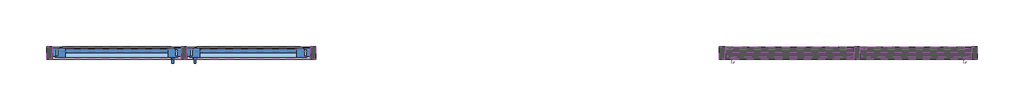
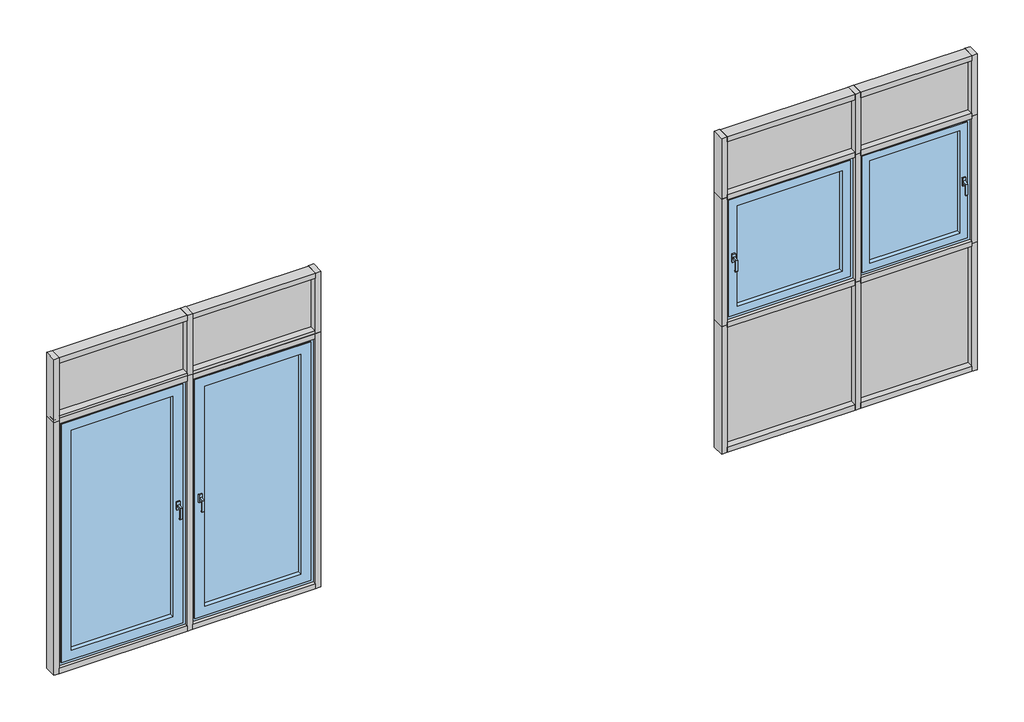
# One storey: 31 members, 8 windows, 6 plates.
"""IFC4 building model written with IfcOpenShell, lengths in millimetres."""

import ifcopenshell
import ifcopenshell.guid

model = None  # the IFC model being written
_history = None  # IfcOwnerHistory: only IFC2X3 demands one
_inside = {}  # id of a spatial element -> (the spatial element, [elements in it])
_under = {}  # id of a project, library or spatial element -> (it, [spatial elements below it])
_declared = {}  # id of a project -> (the project, [libraries it declares])
_typed = {}  # id of a type object -> (the type object, [elements of that type])
_made_of = {}  # id of a material, layer set ... -> (it, [elements and type objects made of it])


def new_model(schema):
    """Start an empty IFC model of exactly this schema.

    Asked for "IFC4X3", IfcOpenShell would pick the latest addendum, in which some entities
    have other attributes; the version numbers below select the first issue.
    IFC2X3 requires an IfcOwnerHistory on every rooted entity: one is made here for all.
    """
    global model, _history
    if schema == "IFC4X3":
        model = ifcopenshell.file(schema_version=(4, 3, 0, 0))
    else:
        model = ifcopenshell.file(schema=schema)
    _inside.clear()
    _under.clear()
    _declared.clear()
    _typed.clear()
    _made_of.clear()
    _history = None
    if model.schema == "IFC2X3":
        org = make("IfcOrganization", Name="unknown")
        user = make(
            "IfcPersonAndOrganization",
            ThePerson=make("IfcPerson", FamilyName="unknown"),
            TheOrganization=org,
        )
        app = make(
            "IfcApplication",
            ApplicationDeveloper=org,
            Version="unknown",
            ApplicationFullName="unknown",
            ApplicationIdentifier="unknown",
        )
        _history = make(
            "IfcOwnerHistory",
            OwningUser=user,
            OwningApplication=app,
            ChangeAction="ADDED",
            CreationDate=0,
        )
    return model


def make(cls, **values):
    """One entity of the class cls with the attributes given. An attribute that is None is left unset."""
    return model.create_entity(
        cls, **{name: value for name, value in values.items() if value is not None}
    )


def rooted(cls, **values):
    """An entity with a GlobalId (a new one), such as an element, a storey or a relation."""
    return make(cls, GlobalId=ifcopenshell.guid.new(), OwnerHistory=_history, **values)


def si_unit(unit_type, name, prefix=None):
    """IfcSIUnit, for example si_unit("LENGTHUNIT", "METRE", prefix="MILLI")."""
    return make("IfcSIUnit", UnitType=unit_type, Prefix=prefix, Name=name)


def assignment(units):
    """IfcUnitAssignment: the units of a project."""
    return None if units is None else make("IfcUnitAssignment", Units=units)


def point(xyz):
    """IfcCartesianPoint."""
    return None if xyz is None else make("IfcCartesianPoint", Coordinates=xyz)


def direction(xyz):
    """IfcDirection."""
    return None if xyz is None else make("IfcDirection", DirectionRatios=xyz)


def frame(location, z_axis=None, x_axis=None):
    """IfcAxis2Placement3D, a coordinate frame: its origin and axes. An axis left out is left unset."""
    return make(
        "IfcAxis2Placement3D",
        Location=point(location),
        Axis=direction(z_axis),
        RefDirection=direction(x_axis),
    )


def origin():
    """The frame at (0, 0, 0) with its axes left unset."""
    return frame((0.0, 0.0, 0.0))


def origin_with_axes():
    """The frame at (0, 0, 0) with the z axis (0, 0, 1) and the x axis (1, 0, 0) written out."""
    return frame((0.0, 0.0, 0.0), z_axis=(0.0, 0.0, 1.0), x_axis=(1.0, 0.0, 0.0))


def place(relative_to, where):
    """IfcLocalPlacement: puts the frame where relative to a parent placement (None: the world)."""
    return make(
        "IfcLocalPlacement", PlacementRelTo=relative_to, RelativePlacement=where
    )


def context(
    kind, dimensions, precision=None, world=None, true_north=None, identifier=None
):
    """IfcGeometricRepresentationContext, for example the 3D "Model" context."""
    return make(
        "IfcGeometricRepresentationContext",
        ContextIdentifier=identifier,
        ContextType=kind,
        CoordinateSpaceDimension=dimensions,
        Precision=precision,
        WorldCoordinateSystem=world,
        TrueNorth=true_north,
    )


def project(units=None, contexts=None):
    """IfcProject with its units and contexts."""
    return rooted(
        "IfcProject",
        Name="project",
        RepresentationContexts=contexts,
        UnitsInContext=assignment(units),
    )


def spatial(cls, under=None, at=None, **own):
    """A site, building, storey or space (cls), placed at a placement, below another one or the project."""
    s = rooted(cls, ObjectPlacement=at, **own)
    if under is not None:
        _under.setdefault(under.id(), (under, []))[1].append(s)
    return s


def polyline(points):
    """IfcPolyline through the points."""
    return make("IfcPolyline", Points=[point(p) for p in points])


def outline(outer, holes=None, kind="AREA"):
    """IfcArbitraryClosedProfileDef: a profile drawn as a closed curve; with holes, ...WithVoids."""
    if holes is None:
        return make("IfcArbitraryClosedProfileDef", ProfileType=kind, OuterCurve=outer)
    return make(
        "IfcArbitraryProfileDefWithVoids",
        ProfileType=kind,
        OuterCurve=outer,
        InnerCurves=holes,
    )


def extrude(swept, where, along, depth):
    """IfcExtrudedAreaSolid: the profile swept, set in the frame where, extruded along a direction by depth."""
    return make(
        "IfcExtrudedAreaSolid",
        SweptArea=swept,
        Position=where,
        ExtrudedDirection=direction(along),
        Depth=depth,
    )


def faces_of(points, faces, orient=None, outer=None):
    """IfcFace entities. A face is a list of loops; a loop is a list of indices into points, from 0.

    orient and outer hold one flag for each loop. By default every Orientation is true, the
    first loop of a face is its IfcFaceOuterBound and the others are IfcFaceBound.
    """
    made = []
    for i, loops in enumerate(faces):
        bounds = []
        for j, loop in enumerate(loops):
            is_outer = j == 0 if outer is None else outer[i][j]
            bounds.append(
                make(
                    "IfcFaceOuterBound" if is_outer else "IfcFaceBound",
                    Bound=make("IfcPolyLoop", Polygon=[points[k] for k in loop]),
                    Orientation=True if orient is None else orient[i][j],
                )
            )
        made.append(make("IfcFace", Bounds=bounds))
    return made


def faceted_brep(points, faces, orient=None, outer=None, voids=None):
    """IfcFacetedBrep: a solid bounded by flat faces; with voids (closed shells), ...WithVoids."""
    shared = [point(p) for p in points]
    hull = make("IfcClosedShell", CfsFaces=faces_of(shared, faces, orient, outer))
    if voids is None:
        return make("IfcFacetedBrep", Outer=hull)
    return make(
        "IfcFacetedBrepWithVoids",
        Outer=hull,
        Voids=[
            make(cls, CfsFaces=faces_of(shared, fs, o, b)) for cls, fs, o, b in voids
        ],
    )


def shape(context_of_items, identifier, shape_type, items):
    """IfcShapeRepresentation: the items that make up one representation, for example the "Body"."""
    return make(
        "IfcShapeRepresentation",
        ContextOfItems=context_of_items,
        RepresentationIdentifier=identifier,
        RepresentationType=shape_type,
        Items=items,
    )


def source(mapping_origin, context_of_items, identifier, shape_type, items):
    """IfcRepresentationMap: a shape defined once, which mapped items show again and again."""
    return make(
        "IfcRepresentationMap",
        MappingOrigin=mapping_origin,
        MappedRepresentation=shape(context_of_items, identifier, shape_type, items),
    )


def transform(
    local_origin,
    x_axis=None,
    y_axis=None,
    z_axis=None,
    scale=None,
    scale2=None,
    scale3=None,
    uniform=True,
):
    """IfcCartesianTransformationOperator3D, or its non-uniform kind. x_axis, y_axis, z_axis: its Axis1, 2, 3."""
    if uniform:
        return make(
            "IfcCartesianTransformationOperator3D",
            Axis1=direction(x_axis),
            Axis2=direction(y_axis),
            LocalOrigin=point(local_origin),
            Scale=scale,
            Axis3=direction(z_axis),
        )
    return make(
        "IfcCartesianTransformationOperator3DnonUniform",
        Axis1=direction(x_axis),
        Axis2=direction(y_axis),
        LocalOrigin=point(local_origin),
        Scale=scale,
        Axis3=direction(z_axis),
        Scale2=scale2,
        Scale3=scale3,
    )


def mapped(mapping_source, mapping_target):
    """IfcMappedItem: shows the shape of a source again, moved by a transform."""
    return make(
        "IfcMappedItem", MappingSource=mapping_source, MappingTarget=mapping_target
    )


def made_of(thing, what):
    """Note that an element or type object is made of a material, layer set ...; save() writes the relation."""
    if what is not None:
        _made_of.setdefault(what.id(), (what, []))[1].append(thing)
    return thing


def element(
    cls,
    number,
    at=None,
    inside=None,
    cuts=None,
    type_object=None,
    material=None,
    context=None,
    identifier="Body",
    shape_type=None,
    held_by="IfcProductDefinitionShape",
    body=None,
    shapes=None,
    **own,
):
    """One element of the class cls, such as IfcWall. Its Tag is "e" and its number.

    at: its placement. inside: the storey or other place that contains it. cuts: it is an
    opening in that element (IfcRelVoidsElement). A single representation is given by context,
    identifier, shape_type and body (its items); several are given by shapes. held_by: the class
    of the entity that holds the representations. save() writes the other relations.
    """
    e = rooted(cls, Tag="e%d" % number, ObjectPlacement=at, **own)
    if body is not None:
        shapes = [shape(context, identifier, shape_type, body)]
    if shapes is not None:
        e.Representation = make(held_by, Representations=shapes)
    if inside is not None:
        _inside.setdefault(inside.id(), (inside, []))[1].append(e)
    if cuts is not None:
        rooted(
            "IfcRelVoidsElement", RelatingBuildingElement=cuts, RelatedOpeningElement=e
        )
    if type_object is not None:
        _typed.setdefault(type_object.id(), (type_object, []))[1].append(e)
    return made_of(e, material)


def aggregate(whole, parts):
    """IfcRelAggregates: a whole, such as a stair, and the parts it consists of."""
    return rooted("IfcRelAggregates", RelatingObject=whole, RelatedObjects=parts)


def save(model, path):
    """Write the relations noted so far, then the file.

    IfcRelAggregates (storeys below a building ...), IfcRelContainedInSpatialStructure (elements
    in a storey), IfcRelDefinesByType, IfcRelAssociatesMaterial and IfcRelDeclares: one each for
    every whole, place, type object, material and project.
    """
    for whole, parts in _under.values():
        aggregate(whole, parts)
    for where, things in _inside.values():
        rooted(
            "IfcRelContainedInSpatialStructure",
            RelatedElements=things,
            RelatingStructure=where,
        )
    for kind, things in _typed.values():
        rooted("IfcRelDefinesByType", RelatedObjects=things, RelatingType=kind)
    for what, things in _made_of.values():
        rooted("IfcRelAssociatesMaterial", RelatedObjects=things, RelatingMaterial=what)
    for by, libraries in _declared.values():
        rooted("IfcRelDeclares", RelatingContext=by, RelatedDefinitions=libraries)
    model.write(path)


def member_ad3ca7c8(model_context):
    return source(origin(), model_context, "Body", "SweptSolid", [
        extrude(outline(polyline([(0.0, -18.0), (-50.0, -18.0), (-50.0, 91.0), (0.0, 91.0), (0.0, -18.0)])), frame((0.0, 0.0, -1150.0000003), z_axis=(0.0, 0.0, 1.0), x_axis=(1.0, 0.0, 0.0)), (0.0, 0.0, 1.0), 1150.0000003),
    ])


def member_bdd6e94e(model_context):
    return source(origin(), model_context, "Body", "SweptSolid", [
        extrude(outline(polyline([(-50.0, -18.0), (-50.0, 91.0), (0.0, 91.0), (0.0, -18.0), (-50.0, -18.0)])), frame((0.0, 0.0, -1150.0000003), z_axis=(0.0, 0.0, 1.0), x_axis=(1.0, 0.0, 0.0)), (0.0, 0.0, 1.0), 1150.0000003),
    ])


def member_5a7c0c36(model_context):
    return source(origin(), model_context, "Body", "SweptSolid", [
        extrude(outline(polyline([(-25.0, -18.0), (-25.0, 91.0), (25.0, 91.0), (25.0, -18.0), (-25.0, -18.0)])), frame((0.0, 0.0, -1150.0000003), z_axis=(0.0, 0.0, 1.0), x_axis=(1.0, 0.0, 0.0)), (0.0, 0.0, 1.0), 1150.0000003),
    ])


def member_1de1992b(model_context):
    return source(origin(), model_context, "Body", "SweptSolid", [
        extrude(outline(polyline([(-25.0, -22.0), (-25.0, 91.0), (25.0, 91.0), (25.0, -22.0), (-25.0, -22.0)])), frame((0.0, 0.0, -1212.5), z_axis=(0.0, 0.0, 1.0), x_axis=(1.0, 0.0, 0.0)), (0.0, 0.0, 1.0), 1212.5),
    ])


def member_0e9ae714(model_context):
    return source(origin(), model_context, "Body", "SweptSolid", [
        extrude(outline(polyline([(-50.0, -22.0), (-50.0, 91.0), (0.0, 91.0), (0.0, -22.0), (-50.0, -22.0)])), frame((0.0, 0.0, -1212.5), z_axis=(0.0, 0.0, 1.0), x_axis=(1.0, 0.0, 0.0)), (0.0, 0.0, 1.0), 1212.5),
    ])


def member_0b18d834(model_context):
    return source(origin(), model_context, "Body", "SweptSolid", [
        extrude(outline(polyline([(0.0, -22.0), (-50.0, -22.0), (-50.0, 91.0), (0.0, 91.0), (0.0, -22.0)])), frame((0.0, 0.0, -1212.5), z_axis=(0.0, 0.0, 1.0), x_axis=(1.0, 0.0, 0.0)), (0.0, 0.0, 1.0), 1212.5),
    ])


def member_2b77a535(model_context):
    return source(origin(), model_context, "Body", "SweptSolid", [
        extrude(outline(polyline([(0.0, -22.0), (-50.0, -22.0), (-50.0, 91.0), (0.0, 91.0), (0.0, -22.0)])), frame((0.0, 0.0, -2425.0), z_axis=(0.0, 0.0, 1.0), x_axis=(1.0, 0.0, 0.0)), (0.0, 0.0, 1.0), 2425.0),
    ])


def member_0060177d(model_context):
    return source(origin(), model_context, "Body", "SweptSolid", [
        extrude(outline(polyline([(-25.0, -22.0), (-25.0, 91.0), (25.0, 91.0), (25.0, -22.0), (-25.0, -22.0)])), frame((0.0, 0.0, -2425.0), z_axis=(0.0, 0.0, 1.0), x_axis=(1.0, 0.0, 0.0)), (0.0, 0.0, 1.0), 2425.0),
    ])


def member_6f0b51ec(model_context):
    return source(origin(), model_context, "Body", "SweptSolid", [
        extrude(outline(polyline([(-25.0, -22.0), (-25.0, 91.0), (25.0, 91.0), (25.0, -22.0), (-25.0, -22.0)])), frame((0.0, 0.0, -600.0), z_axis=(0.0, 0.0, 1.0), x_axis=(1.0, 0.0, 0.0)), (0.0, 0.0, 1.0), 600.0),
    ])


def member_53a48b24(model_context):
    return source(origin(), model_context, "Body", "SweptSolid", [
        extrude(outline(polyline([(-50.0, -22.0), (-50.0, 91.0), (0.0, 91.0), (0.0, -22.0), (-50.0, -22.0)])), frame((0.0, 0.0, -2425.0), z_axis=(0.0, 0.0, 1.0), x_axis=(1.0, 0.0, 0.0)), (0.0, 0.0, 1.0), 2425.0),
    ])


def member_832fc114(model_context):
    return source(origin(), model_context, "Body", "SweptSolid", [
        extrude(outline(polyline([(0.0, -22.0), (-50.0, -22.0), (-50.0, 91.0), (0.0, 91.0), (0.0, -22.0)])), frame((0.0, 0.0, -600.0), z_axis=(0.0, 0.0, 1.0), x_axis=(1.0, 0.0, 0.0)), (0.0, 0.0, 1.0), 600.0),
    ])


def member_00140743(model_context):
    return source(origin(), model_context, "Body", "SweptSolid", [
        extrude(outline(polyline([(-50.0, -22.0), (-50.0, 91.0), (0.0, 91.0), (0.0, -22.0), (-50.0, -22.0)])), frame((0.0, 0.0, -600.0), z_axis=(0.0, 0.0, 1.0), x_axis=(1.0, 0.0, 0.0)), (0.0, 0.0, 1.0), 600.0),
    ])


def member_07645d14(model_context):
    return source(origin(), model_context, "Body", "SweptSolid", [
        extrude(outline(polyline([(-50.0, -18.0), (-50.0, 91.0), (0.0, 91.0), (0.0, -18.0), (-50.0, -18.0)])), frame((0.0, 0.0, -1099.9999997), z_axis=(0.0, 0.0, 1.0), x_axis=(1.0, 0.0, 0.0)), (0.0, 0.0, 1.0), 1099.9999997),
    ])


def member_d83d92ad(model_context):
    return source(origin(), model_context, "Body", "SweptSolid", [
        extrude(outline(polyline([(0.0, -18.0), (-50.0, -18.0), (-50.0, 91.0), (0.0, 91.0), (0.0, -18.0)])), frame((0.0, 0.0, -1099.9999997), z_axis=(0.0, 0.0, 1.0), x_axis=(1.0, 0.0, 0.0)), (0.0, 0.0, 1.0), 1099.9999997),
    ])


def member_6f2677a6(model_context):
    return source(origin(), model_context, "Body", "SweptSolid", [
        extrude(outline(polyline([(-25.0, -18.0), (-25.0, 91.0), (25.0, 91.0), (25.0, -18.0), (-25.0, -18.0)])), frame((0.0, 0.0, -1099.9999997), z_axis=(0.0, 0.0, 1.0), x_axis=(1.0, 0.0, 0.0)), (0.0, 0.0, 1.0), 1099.9999997),
    ])


def member_90aaafd8(model_context):
    return source(origin(), model_context, "Body", "SweptSolid", [
        extrude(outline(polyline([(-50.0, -18.0), (-50.0, 91.0), (0.0, 91.0), (0.0, -18.0), (-50.0, -18.0)])), frame((0.0, 0.0, -999.9999997), z_axis=(0.0, 0.0, 1.0), x_axis=(1.0, 0.0, 0.0)), (0.0, 0.0, 1.0), 999.9999997),
    ])


def member_95892b9a(model_context):
    return source(origin(), model_context, "Body", "SweptSolid", [
        extrude(outline(polyline([(0.0, -18.0), (-50.0, -18.0), (-50.0, 91.0), (0.0, 91.0), (0.0, -18.0)])), frame((0.0, 0.0, -999.9999997), z_axis=(0.0, 0.0, 1.0), x_axis=(1.0, 0.0, 0.0)), (0.0, 0.0, 1.0), 999.9999997),
    ])


def member_6d4ecc17(model_context):
    return source(origin(), model_context, "Body", "SweptSolid", [
        extrude(outline(polyline([(-25.0, -18.0), (-25.0, 91.0), (25.0, 91.0), (25.0, -18.0), (-25.0, -18.0)])), frame((0.0, 0.0, -999.9999997), z_axis=(0.0, 0.0, 1.0), x_axis=(1.0, 0.0, 0.0)), (0.0, 0.0, 1.0), 999.9999997),
    ])


def member_9d90443d(model_context):
    return source(origin(), model_context, "Body", "SweptSolid", [
        extrude(outline(polyline([(-25.0, -22.0), (-25.0, 91.0), (25.0, 91.0), (25.0, -22.0), (-25.0, -22.0)])), frame((0.0, 0.0, -575.0), z_axis=(0.0, 0.0, 1.0), x_axis=(1.0, 0.0, 0.0)), (0.0, 0.0, 1.0), 575.0),
    ])


def member_50920f73(model_context):
    return source(origin(), model_context, "Body", "SweptSolid", [
        extrude(outline(polyline([(0.0, -22.0), (-50.0, -22.0), (-50.0, 91.0), (0.0, 91.0), (0.0, -22.0)])), frame((0.0, 0.0, -575.0), z_axis=(0.0, 0.0, 1.0), x_axis=(1.0, 0.0, 0.0)), (0.0, 0.0, 1.0), 575.0),
    ])


def member_bd584a84(model_context):
    return source(origin(), model_context, "Body", "SweptSolid", [
        extrude(outline(polyline([(-50.0, -22.0), (-50.0, 91.0), (0.0, 91.0), (0.0, -22.0), (-50.0, -22.0)])), frame((0.0, 0.0, -575.0), z_axis=(0.0, 0.0, 1.0), x_axis=(1.0, 0.0, 0.0)), (0.0, 0.0, 1.0), 575.0),
    ])


def plate_75b223ed(model_context):
    return source(origin(), model_context, "Body", "SweptSolid", [
        extrude(outline(polyline([(575.0000002, -24.0), (-575.0000002, -24.0), (-575.0000002, 0.0), (575.0000002, 0.0), (575.0000002, -24.0)])), origin_with_axes(), (0.0, 0.0, 1.0), 500.0),
    ])


def plate_f567a6fb(model_context):
    return source(origin(), model_context, "Body", "SweptSolid", [
        extrude(outline(polyline([(575.0000002, -32.0), (-575.0000002, -32.0), (-575.0000002, 0.0), (575.0000002, 0.0), (575.0000002, -32.0)])), origin_with_axes(), (0.0, 0.0, 1.0), 500.0),
    ])


def plate_af0b64a3(model_context):
    return source(origin(), model_context, "Body", "SweptSolid", [
        extrude(outline(polyline([(575.0000002, -32.0), (-575.0000002, -32.0), (-575.0000002, 0.0), (575.0000002, 0.0), (575.0000002, -32.0)])), origin_with_axes(), (0.0, 0.0, 1.0), 1137.5),
    ])


def plate_19676ab9(model_context):
    return source(origin(), model_context, "Body", "SweptSolid", [
        extrude(outline(polyline([(549.9999998, -24.0), (-549.9999998, -24.0), (-549.9999998, 0.0), (549.9999998, 0.0), (549.9999998, -24.0)])), origin_with_axes(), (0.0, 0.0, 1.0), 500.0),
    ])


def plate_68508f5b(model_context):
    return source(origin(), model_context, "Body", "SweptSolid", [
        extrude(outline(polyline([(499.9999998, -32.0), (-499.9999998, -32.0), (-499.9999998, 0.0), (499.9999998, 0.0), (499.9999998, -32.0)])), origin_with_axes(), (0.0, 0.0, 1.0), 1137.5),
    ])


def plate_c5f578fe(model_context):
    return source(origin(), model_context, "Body", "SweptSolid", [
        extrude(outline(polyline([(499.9999998, -32.0), (-499.9999998, -32.0), (-499.9999998, 0.0), (499.9999998, 0.0), (499.9999998, -32.0)])), origin_with_axes(), (0.0, 0.0, 1.0), 500.0),
    ])


def window_b4f2b5aa(model_context):
    return source(origin(), model_context, "Body", "Brep", [
        faceted_brep([(15.0, 37.5, 13.0), (-15.0, 37.5, 13.0), (-15.0, -37.5, 13.0), (15.0, -37.5, 13.0), (-8.0, 10.0, 13.0), (8.0, 10.0, 13.0), (8.0, -10.0, 13.0), (-8.0, -10.0, 13.0), (15.0, 37.5, 0.0), (15.0, -37.5, 0.0), (-15.0, -37.5, 0.0), (-15.0, 37.5, 0.0), (8.0, -1.0, 53.0), (-8.0, -1.0, 53.0), (-8.0, -103.8552635, 53.0), (8.0, -103.8552635, 53.0), (-8.0, -18.25, 43.0), (-8.0, -99.7131278, 43.0), (-8.0, -100.0, 42.7131278), (-8.0, -100.0, 38.0), (-8.0, -110.0, 38.0), (-8.0, -110.0, 46.8552635), (8.0, -18.25, 43.0), (8.0, -110.0, 46.8552635), (8.0, -110.0, 38.0), (8.0, -100.0, 38.0), (8.0, -100.0, 42.7131278), (8.0, -99.7131278, 43.0)], [[[0, 1, 2, 3], [4, 5, 6, 7]], [[8, 9, 10, 11]], [[1, 0, 8, 11]], [[2, 1, 11, 10]], [[3, 2, 10, 9]], [[0, 3, 9, 8]], [[12, 13, 14, 15]], [[13, 12, 5, 4]], [[14, 13, 4, 7, 16, 17, 18, 19, 20, 21]], [[7, 6, 22, 16]], [[5, 12, 15, 23, 24, 25, 26, 27, 22, 6]], [[27, 17, 16, 22]], [[25, 24, 20, 19]], [[26, 25, 19, 18]], [[24, 23, 21, 20]], [[27, 26, 18, 17]], [[23, 15, 14, 21]]]),
    ])


def window_11620ead(model_context):
    return source(origin(), model_context, "Body", "SolidModel", [
        faceted_brep([(-546.0000002, -70.0, 29.0), (-546.0000002, -61.0, 29.0), (546.0000002, -61.0, 29.0), (546.0000002, -70.0, 29.0), (-515.0000002, 0.0, 60.0), (-515.0000002, 9.0, 60.0), (515.0000002, 9.0, 60.0), (515.0000002, 0.0, 60.0), (-458.0000002, 9.0, 117.0), (-458.0000002, -70.0, 117.0), (458.0000002, -70.0, 117.0), (458.0000002, 9.0, 117.0), (546.0000002, -61.0, 2296.0), (546.0000002, -70.0, 2296.0), (515.0000002, 9.0, 2265.0), (515.0000002, 0.0, 2265.0), (458.0000002, -70.0, 2208.0), (458.0000002, 9.0, 2208.0), (-546.0000002, -61.0, 2296.0), (-546.0000002, -70.0, 2296.0), (-515.0000002, 9.0, 2265.0), (-515.0000002, 0.0, 2265.0), (-458.0000002, -70.0, 2208.0), (-458.0000002, 9.0, 2208.0), (-521.0000002, 0.0, 54.0), (-521.0000002, 0.0, 2271.0), (521.0000002, 0.0, 2271.0), (521.0000002, 0.0, 54.0), (-521.0000002, -61.0, 54.0), (521.0000002, -61.0, 54.0), (521.0000002, -61.0, 2271.0), (-521.0000002, -61.0, 2271.0)], [[[0, 1, 2, 3]], [[4, 5, 6, 7]], [[8, 9, 10, 11]], [[3, 2, 12, 13]], [[7, 6, 14, 15]], [[11, 10, 16, 17]], [[13, 12, 18, 19]], [[15, 14, 20, 21]], [[17, 16, 22, 23]], [[19, 18, 1, 0]], [[5, 20, 14, 6], [11, 17, 23, 8]], [[21, 20, 5, 4]], [[24, 25, 26, 27], [7, 15, 21, 4]], [[23, 22, 9, 8]], [[3, 13, 19, 0], [9, 22, 16, 10]], [[28, 24, 27, 29]], [[29, 27, 26, 30]], [[30, 26, 25, 31]], [[1, 18, 12, 2], [29, 30, 31, 28]], [[31, 25, 24, 28]]]),
        extrude(outline(polyline([(458.0000002, -30.0), (-458.0000002, -30.0), (-458.0000002, 0.0), (458.0000002, 0.0), (458.0000002, -30.0)])), frame((0.0, 0.0, 117.0), z_axis=(0.0, 0.0, 1.0), x_axis=(1.0, 0.0, 0.0)), (0.0, 0.0, 1.0), 2091.0),
        extrude(outline(polyline([(24.0, 60.0), (9.0, 60.0), (9.0, 72.5), (24.0, 65.0), (24.0, 60.0)])), frame((-485.0000002, 0.0, 0.0), z_axis=(1.0, 0.0, 0.0), x_axis=(0.0, 1.0, 0.0)), (0.0, 0.0, 1.0), 970.0000003),
        faceted_brep([(521.0000002, 0.0, 54.0), (521.0000002, 9.0, 54.0), (-521.0000002, 9.0, 54.0), (-521.0000002, 0.0, 54.0), (543.0000002, -61.0, 32.0), (543.0000002, 0.0, 32.0), (-543.0000002, 0.0, 32.0), (-543.0000002, -61.0, 32.0), (575.0000002, 9.0, 0.0), (575.0000002, -61.0, 0.0), (-575.0000002, -61.0, 0.0), (-575.0000002, 9.0, 0.0), (-521.0000002, 9.0, 2271.0), (-521.0000002, 0.0, 2271.0), (-543.0000002, 0.0, 2293.0), (-543.0000002, -61.0, 2293.0), (-575.0000002, -61.0, 2325.0), (-575.0000002, 9.0, 2325.0), (521.0000002, 9.0, 2271.0), (521.0000002, 0.0, 2271.0), (543.0000002, 0.0, 2293.0), (543.0000002, -61.0, 2293.0), (575.0000002, -61.0, 2325.0), (575.0000002, 9.0, 2325.0)], [[[0, 1, 2, 3]], [[4, 5, 6, 7]], [[8, 9, 10, 11]], [[3, 2, 12, 13]], [[7, 6, 14, 15]], [[11, 10, 16, 17]], [[13, 12, 18, 19]], [[15, 14, 20, 21]], [[17, 16, 22, 23]], [[19, 18, 1, 0]], [[5, 20, 14, 6], [3, 13, 19, 0]], [[21, 20, 5, 4]], [[9, 22, 16, 10], [7, 15, 21, 4]], [[23, 22, 9, 8]], [[11, 17, 23, 8], [1, 18, 12, 2]]]),
    ])


def window_14819db6(model_context):
    return source(origin(), model_context, "Body", "SolidModel", [
        faceted_brep([(-520.9999998, -70.0, 29.0), (-520.9999998, -61.0, 29.0), (520.9999998, -61.0, 29.0), (520.9999998, -70.0, 29.0), (-489.9999998, 0.0, 60.0), (-489.9999998, 9.0, 60.0), (489.9999998, 9.0, 60.0), (489.9999998, 0.0, 60.0), (-432.9999998, 9.0, 117.0), (-432.9999998, -70.0, 117.0), (432.9999998, -70.0, 117.0), (432.9999998, 9.0, 117.0), (520.9999998, -61.0, 2296.0), (520.9999998, -70.0, 2296.0), (489.9999998, 9.0, 2265.0), (489.9999998, 0.0, 2265.0), (432.9999998, -70.0, 2208.0), (432.9999998, 9.0, 2208.0), (-520.9999998, -61.0, 2296.0), (-520.9999998, -70.0, 2296.0), (-489.9999998, 9.0, 2265.0), (-489.9999998, 0.0, 2265.0), (-432.9999998, -70.0, 2208.0), (-432.9999998, 9.0, 2208.0), (-495.9999998, 0.0, 54.0), (-495.9999998, 0.0, 2271.0), (495.9999998, 0.0, 2271.0), (495.9999998, 0.0, 54.0), (-495.9999998, -61.0, 54.0), (495.9999998, -61.0, 54.0), (495.9999998, -61.0, 2271.0), (-495.9999998, -61.0, 2271.0)], [[[0, 1, 2, 3]], [[4, 5, 6, 7]], [[8, 9, 10, 11]], [[3, 2, 12, 13]], [[7, 6, 14, 15]], [[11, 10, 16, 17]], [[13, 12, 18, 19]], [[15, 14, 20, 21]], [[17, 16, 22, 23]], [[19, 18, 1, 0]], [[5, 20, 14, 6], [11, 17, 23, 8]], [[21, 20, 5, 4]], [[24, 25, 26, 27], [7, 15, 21, 4]], [[23, 22, 9, 8]], [[3, 13, 19, 0], [9, 22, 16, 10]], [[28, 24, 27, 29]], [[29, 27, 26, 30]], [[30, 26, 25, 31]], [[1, 18, 12, 2], [29, 30, 31, 28]], [[31, 25, 24, 28]]]),
        extrude(outline(polyline([(432.9999998, -30.0), (-432.9999998, -30.0), (-432.9999998, 0.0), (432.9999998, 0.0), (432.9999998, -30.0)])), frame((0.0, 0.0, 117.0), z_axis=(0.0, 0.0, 1.0), x_axis=(1.0, 0.0, 0.0)), (0.0, 0.0, 1.0), 2091.0),
        extrude(outline(polyline([(24.0, 60.0), (9.0, 60.0), (9.0, 72.5), (24.0, 65.0), (24.0, 60.0)])), frame((-459.9999998, 0.0, 0.0), z_axis=(1.0, 0.0, 0.0), x_axis=(0.0, 1.0, 0.0)), (0.0, 0.0, 1.0), 919.9999997),
        faceted_brep([(495.9999998, 0.0, 54.0), (495.9999998, 9.0, 54.0), (-495.9999998, 9.0, 54.0), (-495.9999998, 0.0, 54.0), (517.9999998, -61.0, 32.0), (517.9999998, 0.0, 32.0), (-517.9999998, 0.0, 32.0), (-517.9999998, -61.0, 32.0), (549.9999998, 9.0, 0.0), (549.9999998, -61.0, 0.0), (-549.9999998, -61.0, 0.0), (-549.9999998, 9.0, 0.0), (-495.9999998, 9.0, 2271.0), (-495.9999998, 0.0, 2271.0), (-517.9999998, 0.0, 2293.0), (-517.9999998, -61.0, 2293.0), (-549.9999998, -61.0, 2325.0), (-549.9999998, 9.0, 2325.0), (495.9999998, 9.0, 2271.0), (495.9999998, 0.0, 2271.0), (517.9999998, 0.0, 2293.0), (517.9999998, -61.0, 2293.0), (549.9999998, -61.0, 2325.0), (549.9999998, 9.0, 2325.0)], [[[0, 1, 2, 3]], [[4, 5, 6, 7]], [[8, 9, 10, 11]], [[3, 2, 12, 13]], [[7, 6, 14, 15]], [[11, 10, 16, 17]], [[13, 12, 18, 19]], [[15, 14, 20, 21]], [[17, 16, 22, 23]], [[19, 18, 1, 0]], [[5, 20, 14, 6], [3, 13, 19, 0]], [[21, 20, 5, 4]], [[9, 22, 16, 10], [7, 15, 21, 4]], [[23, 22, 9, 8]], [[11, 17, 23, 8], [1, 18, 12, 2]]]),
    ])


def window_acf29aeb(model_context):
    return source(origin(), model_context, "Body", "SolidModel", [
        faceted_brep([(-546.0000002, -70.0, 29.0), (-546.0000002, -61.0, 29.0), (546.0000002, -61.0, 29.0), (546.0000002, -70.0, 29.0), (-515.0000002, 0.0, 60.0), (-515.0000002, 9.0, 60.0), (515.0000002, 9.0, 60.0), (515.0000002, 0.0, 60.0), (-472.0000002, 9.0, 103.0), (-472.0000002, -70.0, 103.0), (472.0000002, -70.0, 103.0), (472.0000002, 9.0, 103.0), (546.0000002, -61.0, 1133.5), (546.0000002, -70.0, 1133.5), (515.0000002, 9.0, 1102.5), (515.0000002, 0.0, 1102.5), (472.0000002, -70.0, 1059.5), (472.0000002, 9.0, 1059.5), (-546.0000002, -61.0, 1133.5), (-546.0000002, -70.0, 1133.5), (-515.0000002, 9.0, 1102.5), (-515.0000002, 0.0, 1102.5), (-472.0000002, -70.0, 1059.5), (-472.0000002, 9.0, 1059.5), (-521.0000002, 0.0, 54.0), (-521.0000002, 0.0, 1108.5), (521.0000002, 0.0, 1108.5), (521.0000002, 0.0, 54.0), (-521.0000002, -61.0, 54.0), (521.0000002, -61.0, 54.0), (521.0000002, -61.0, 1108.5), (-521.0000002, -61.0, 1108.5)], [[[0, 1, 2, 3]], [[4, 5, 6, 7]], [[8, 9, 10, 11]], [[3, 2, 12, 13]], [[7, 6, 14, 15]], [[11, 10, 16, 17]], [[13, 12, 18, 19]], [[15, 14, 20, 21]], [[17, 16, 22, 23]], [[19, 18, 1, 0]], [[5, 20, 14, 6], [11, 17, 23, 8]], [[21, 20, 5, 4]], [[24, 25, 26, 27], [7, 15, 21, 4]], [[23, 22, 9, 8]], [[3, 13, 19, 0], [9, 22, 16, 10]], [[28, 24, 27, 29]], [[29, 27, 26, 30]], [[30, 26, 25, 31]], [[1, 18, 12, 2], [29, 30, 31, 28]], [[31, 25, 24, 28]]]),
        extrude(outline(polyline([(472.0000002, -30.0), (-472.0000002, -30.0), (-472.0000002, 0.0), (472.0000002, 0.0), (472.0000002, -30.0)])), frame((0.0, 0.0, 103.0), z_axis=(0.0, 0.0, 1.0), x_axis=(1.0, 0.0, 0.0)), (0.0, 0.0, 1.0), 956.5),
        extrude(outline(polyline([(24.0, 60.0), (9.0, 60.0), (9.0, 72.5), (24.0, 65.0), (24.0, 60.0)])), frame((-499.0000002, 0.0, 0.0), z_axis=(1.0, 0.0, 0.0), x_axis=(0.0, 1.0, 0.0)), (0.0, 0.0, 1.0), 998.0000003),
        faceted_brep([(521.0000002, 0.0, 54.0), (521.0000002, 9.0, 54.0), (-521.0000002, 9.0, 54.0), (-521.0000002, 0.0, 54.0), (543.0000002, -61.0, 32.0), (543.0000002, 0.0, 32.0), (-543.0000002, 0.0, 32.0), (-543.0000002, -61.0, 32.0), (575.0000002, 9.0, 0.0), (575.0000002, -61.0, 0.0), (-575.0000002, -61.0, 0.0), (-575.0000002, 9.0, 0.0), (-521.0000002, 9.0, 1108.5), (-521.0000002, 0.0, 1108.5), (-543.0000002, 0.0, 1130.5), (-543.0000002, -61.0, 1130.5), (-575.0000002, -61.0, 1162.5), (-575.0000002, 9.0, 1162.5), (521.0000002, 9.0, 1108.5), (521.0000002, 0.0, 1108.5), (543.0000002, 0.0, 1130.5), (543.0000002, -61.0, 1130.5), (575.0000002, -61.0, 1162.5), (575.0000002, 9.0, 1162.5)], [[[0, 1, 2, 3]], [[4, 5, 6, 7]], [[8, 9, 10, 11]], [[3, 2, 12, 13]], [[7, 6, 14, 15]], [[11, 10, 16, 17]], [[13, 12, 18, 19]], [[15, 14, 20, 21]], [[17, 16, 22, 23]], [[19, 18, 1, 0]], [[5, 20, 14, 6], [3, 13, 19, 0]], [[21, 20, 5, 4]], [[9, 22, 16, 10], [7, 15, 21, 4]], [[23, 22, 9, 8]], [[11, 17, 23, 8], [1, 18, 12, 2]]]),
    ])


def window_8ce5264d(model_context):
    return source(origin(), model_context, "Body", "SolidModel", [
        faceted_brep([(-470.9999998, -70.0, 29.0), (-470.9999998, -61.0, 29.0), (470.9999998, -61.0, 29.0), (470.9999998, -70.0, 29.0), (-439.9999998, 0.0, 60.0), (-439.9999998, 9.0, 60.0), (439.9999998, 9.0, 60.0), (439.9999998, 0.0, 60.0), (-404.9999998, 9.0, 95.0), (-404.9999998, -70.0, 95.0), (404.9999998, -70.0, 95.0), (404.9999998, 9.0, 95.0), (470.9999998, -61.0, 1133.5), (470.9999998, -70.0, 1133.5), (439.9999998, 9.0, 1102.5), (439.9999998, 0.0, 1102.5), (404.9999998, -70.0, 1067.5), (404.9999998, 9.0, 1067.5), (-470.9999998, -61.0, 1133.5), (-470.9999998, -70.0, 1133.5), (-439.9999998, 9.0, 1102.5), (-439.9999998, 0.0, 1102.5), (-404.9999998, -70.0, 1067.5), (-404.9999998, 9.0, 1067.5), (-445.9999998, 0.0, 54.0), (-445.9999998, 0.0, 1108.5), (445.9999998, 0.0, 1108.5), (445.9999998, 0.0, 54.0), (-445.9999998, -61.0, 54.0), (445.9999998, -61.0, 54.0), (445.9999998, -61.0, 1108.5), (-445.9999998, -61.0, 1108.5)], [[[0, 1, 2, 3]], [[4, 5, 6, 7]], [[8, 9, 10, 11]], [[3, 2, 12, 13]], [[7, 6, 14, 15]], [[11, 10, 16, 17]], [[13, 12, 18, 19]], [[15, 14, 20, 21]], [[17, 16, 22, 23]], [[19, 18, 1, 0]], [[5, 20, 14, 6], [11, 17, 23, 8]], [[21, 20, 5, 4]], [[24, 25, 26, 27], [7, 15, 21, 4]], [[23, 22, 9, 8]], [[3, 13, 19, 0], [9, 22, 16, 10]], [[28, 24, 27, 29]], [[29, 27, 26, 30]], [[30, 26, 25, 31]], [[1, 18, 12, 2], [29, 30, 31, 28]], [[31, 25, 24, 28]]]),
        extrude(outline(polyline([(404.9999998, -30.0), (-404.9999998, -30.0), (-404.9999998, 0.0), (404.9999998, 0.0), (404.9999998, -30.0)])), frame((0.0, 0.0, 95.0), z_axis=(0.0, 0.0, 1.0), x_axis=(1.0, 0.0, 0.0)), (0.0, 0.0, 1.0), 972.5),
        extrude(outline(polyline([(24.0, 60.0), (9.0, 60.0), (9.0, 72.5), (24.0, 65.0), (24.0, 60.0)])), frame((-431.9999998, 0.0, 0.0), z_axis=(1.0, 0.0, 0.0), x_axis=(0.0, 1.0, 0.0)), (0.0, 0.0, 1.0), 863.9999997),
        faceted_brep([(445.9999998, 0.0, 54.0), (445.9999998, 9.0, 54.0), (-445.9999998, 9.0, 54.0), (-445.9999998, 0.0, 54.0), (467.9999998, -61.0, 32.0), (467.9999998, 0.0, 32.0), (-467.9999998, 0.0, 32.0), (-467.9999998, -61.0, 32.0), (499.9999998, 9.0, 0.0), (499.9999998, -61.0, 0.0), (-499.9999998, -61.0, 0.0), (-499.9999998, 9.0, 0.0), (-445.9999998, 9.0, 1108.5), (-445.9999998, 0.0, 1108.5), (-467.9999998, 0.0, 1130.5), (-467.9999998, -61.0, 1130.5), (-499.9999998, -61.0, 1162.5), (-499.9999998, 9.0, 1162.5), (445.9999998, 9.0, 1108.5), (445.9999998, 0.0, 1108.5), (467.9999998, 0.0, 1130.5), (467.9999998, -61.0, 1130.5), (499.9999998, -61.0, 1162.5), (499.9999998, 9.0, 1162.5)], [[[0, 1, 2, 3]], [[4, 5, 6, 7]], [[8, 9, 10, 11]], [[3, 2, 12, 13]], [[7, 6, 14, 15]], [[11, 10, 16, 17]], [[13, 12, 18, 19]], [[15, 14, 20, 21]], [[17, 16, 22, 23]], [[19, 18, 1, 0]], [[5, 20, 14, 6], [3, 13, 19, 0]], [[21, 20, 5, 4]], [[9, 22, 16, 10], [7, 15, 21, 4]], [[23, 22, 9, 8]], [[11, 17, 23, 8], [1, 18, 12, 2]]]),
    ])


model = new_model("IFC4")

# Units and contexts
model_context = context("Model", 3, world=origin())
ifc_project = project(units=[si_unit("LENGTHUNIT", "METRE", prefix="MILLI")], contexts=[model_context])

# Site, building, storey
site = spatial("IfcSite", under=ifc_project)
building = spatial("IfcBuilding", under=site)
storey = spatial("IfcBuildingStorey", under=building, Elevation=0.0)

# Members
placement = place(None, origin())
member_shape = member_ad3ca7c8(model_context)
element("IfcMember", 1, at=placement, inside=storey, context=model_context, shape_type="MappedRepresentation", body=[
    mapped(member_shape, transform((770.2050663, 13876.8733204, 0.0), x_axis=(0.0, 0.0, -1.0), y_axis=(0.0, -1.0, 0.0), z_axis=(-1.0, 0.0, 0.0))),
])
member_2_shape = member_bdd6e94e(model_context)
element("IfcMember", 2, at=placement, inside=storey, context=model_context, shape_type="MappedRepresentation", body=[
    mapped(member_2_shape, transform((1920.2050666, 13876.8733204, 3000.0), x_axis=(0.0, 0.0, 1.0), y_axis=(0.0, -1.0, 0.0), z_axis=(1.0, 0.0, 0.0))),
])
member_3_shape = member_5a7c0c36(model_context)
element("IfcMember", 3, at=placement, inside=storey, context=model_context, shape_type="MappedRepresentation", body=[
    mapped(member_3_shape, transform((1920.2050666, 13876.8733204, 2400.0), x_axis=(0.0, 0.0, 1.0), y_axis=(0.0, -1.0, 0.0), z_axis=(1.0, 0.0, 0.0))),
])
element("IfcMember", 4, at=placement, inside=storey, context=model_context, shape_type="MappedRepresentation", body=[
    mapped(member_3_shape, transform((1920.2050666, 13876.8733204, 2425.0), x_axis=(0.0, 0.0, 1.0), y_axis=(0.0, -1.0, 0.0), z_axis=(1.0, 0.0, 0.0))),
])
element("IfcMember", 5, at=placement, inside=storey, context=model_context, shape_type="MappedRepresentation", body=[
    mapped(member_shape, transform((6770.2050663, 13876.8733204, 0.0), x_axis=(0.0, 0.0, -1.0), y_axis=(0.0, -1.0, 0.0), z_axis=(-1.0, 0.0, 0.0))),
])
element("IfcMember", 6, at=placement, inside=storey, context=model_context, shape_type="MappedRepresentation", body=[
    mapped(member_2_shape, transform((7920.2050666, 13876.8733204, 3000.0), x_axis=(0.0, 0.0, 1.0), y_axis=(0.0, -1.0, 0.0), z_axis=(1.0, 0.0, 0.0))),
])
element("IfcMember", 7, at=placement, inside=storey, context=model_context, shape_type="MappedRepresentation", body=[
    mapped(member_3_shape, transform((7920.2050666, 13876.8733204, 2425.0), x_axis=(0.0, 0.0, 1.0), y_axis=(0.0, -1.0, 0.0), z_axis=(1.0, 0.0, 0.0))),
])
element("IfcMember", 8, at=placement, inside=storey, context=model_context, shape_type="MappedRepresentation", body=[
    mapped(member_3_shape, transform((7920.2050666, 13876.8733204, 1212.5), x_axis=(0.0, 0.0, 1.0), y_axis=(0.0, -1.0, 0.0), z_axis=(1.0, 0.0, 0.0))),
])
member_4_shape = member_1de1992b(model_context)
element("IfcMember", 9, at=placement, inside=storey, context=model_context, shape_type="MappedRepresentation", body=[
    mapped(member_4_shape, transform((7945.2050666, 13876.8733204, 0.0), x_axis=(1.0, 0.0, 0.0), y_axis=(0.0, -1.0, 0.0), z_axis=(0.0, 0.0, -1.0))),
])
element("IfcMember", 10, at=placement, inside=storey, context=model_context, shape_type="MappedRepresentation", body=[
    mapped(member_4_shape, transform((7945.2050666, 13876.8733204, 1212.5), x_axis=(1.0, 0.0, 0.0), y_axis=(0.0, -1.0, 0.0), z_axis=(0.0, 0.0, -1.0))),
])
member_5_shape = member_0e9ae714(model_context)
element("IfcMember", 11, at=placement, inside=storey, context=model_context, shape_type="MappedRepresentation", body=[
    mapped(member_5_shape, transform((9020.2050663, 13876.8733204, 0.0), x_axis=(1.0, 0.0, 0.0), y_axis=(0.0, -1.0, 0.0), z_axis=(0.0, 0.0, -1.0))),
])
member_6_shape = member_0b18d834(model_context)
element("IfcMember", 12, at=placement, inside=storey, context=model_context, shape_type="MappedRepresentation", body=[
    mapped(member_6_shape, transform((6720.2050663, 13876.8733204, 2425.0), x_axis=(-1.0, 0.0, 0.0), y_axis=(0.0, -1.0, 0.0), z_axis=(0.0, 0.0, 1.0))),
])
element("IfcMember", 13, at=placement, inside=storey, context=model_context, shape_type="MappedRepresentation", body=[
    mapped(member_5_shape, transform((9020.2050663, 13876.8733204, 1212.5), x_axis=(1.0, 0.0, 0.0), y_axis=(0.0, -1.0, 0.0), z_axis=(0.0, 0.0, -1.0))),
])
element("IfcMember", 14, at=placement, inside=storey, context=model_context, shape_type="MappedRepresentation", body=[
    mapped(member_6_shape, transform((6720.2050663, 13876.8733204, 1212.5), x_axis=(-1.0, 0.0, 0.0), y_axis=(0.0, -1.0, 0.0), z_axis=(0.0, 0.0, 1.0))),
])
member_7_shape = member_2b77a535(model_context)
element("IfcMember", 15, at=placement, inside=storey, context=model_context, shape_type="MappedRepresentation", body=[
    mapped(member_7_shape, transform((720.2050663, 13876.8733204, 2425.0), x_axis=(-1.0, 0.0, 0.0), y_axis=(0.0, -1.0, 0.0), z_axis=(0.0, 0.0, 1.0))),
])
member_8_shape = member_0060177d(model_context)
element("IfcMember", 16, at=placement, inside=storey, context=model_context, shape_type="MappedRepresentation", body=[
    mapped(member_8_shape, transform((1945.2050666, 13876.8733204, 0.0), x_axis=(1.0, 0.0, 0.0), y_axis=(0.0, -1.0, 0.0), z_axis=(0.0, 0.0, -1.0))),
])
member_9_shape = member_6f0b51ec(model_context)
element("IfcMember", 17, at=placement, inside=storey, context=model_context, shape_type="MappedRepresentation", body=[
    mapped(member_9_shape, transform((1945.2050666, 13876.8733204, 2400.0), x_axis=(1.0, 0.0, 0.0), y_axis=(0.0, -1.0, 0.0), z_axis=(0.0, 0.0, -1.0))),
])
member_10_shape = member_53a48b24(model_context)
element("IfcMember", 18, at=placement, inside=storey, context=model_context, shape_type="MappedRepresentation", body=[
    mapped(member_10_shape, transform((3120.2050663, 13876.8733204, 0.0), x_axis=(1.0, 0.0, 0.0), y_axis=(0.0, -1.0, 0.0), z_axis=(0.0, 0.0, -1.0))),
])
member_11_shape = member_832fc114(model_context)
element("IfcMember", 19, at=placement, inside=storey, context=model_context, shape_type="MappedRepresentation", body=[
    mapped(member_11_shape, transform((720.2050663, 13876.8733204, 3000.0), x_axis=(-1.0, 0.0, 0.0), y_axis=(0.0, -1.0, 0.0), z_axis=(0.0, 0.0, 1.0))),
])
member_12_shape = member_00140743(model_context)
element("IfcMember", 20, at=placement, inside=storey, context=model_context, shape_type="MappedRepresentation", body=[
    mapped(member_12_shape, transform((3120.2050663, 13876.8733204, 2400.0), x_axis=(1.0, 0.0, 0.0), y_axis=(0.0, -1.0, 0.0), z_axis=(0.0, 0.0, -1.0))),
])
member_13_shape = member_07645d14(model_context)
element("IfcMember", 21, at=placement, inside=storey, context=model_context, shape_type="MappedRepresentation", body=[
    mapped(member_13_shape, transform((3070.2050663, 13876.8733204, 3000.0), x_axis=(0.0, 0.0, 1.0), y_axis=(0.0, -1.0, 0.0), z_axis=(1.0, 0.0, 0.0))),
])
member_14_shape = member_d83d92ad(model_context)
element("IfcMember", 22, at=placement, inside=storey, context=model_context, shape_type="MappedRepresentation", body=[
    mapped(member_14_shape, transform((1970.2050666, 13876.8733204, 0.0), x_axis=(0.0, 0.0, -1.0), y_axis=(0.0, -1.0, 0.0), z_axis=(-1.0, 0.0, 0.0))),
])
member_15_shape = member_6f2677a6(model_context)
element("IfcMember", 23, at=placement, inside=storey, context=model_context, shape_type="MappedRepresentation", body=[
    mapped(member_15_shape, transform((3070.2050663, 13876.8733204, 2400.0), x_axis=(0.0, 0.0, 1.0), y_axis=(0.0, -1.0, 0.0), z_axis=(1.0, 0.0, 0.0))),
])
element("IfcMember", 24, at=placement, inside=storey, context=model_context, shape_type="MappedRepresentation", body=[
    mapped(member_15_shape, transform((3070.2050663, 13876.8733204, 2425.0), x_axis=(0.0, 0.0, 1.0), y_axis=(0.0, -1.0, 0.0), z_axis=(1.0, 0.0, 0.0))),
])
member_16_shape = member_90aaafd8(model_context)
element("IfcMember", 25, at=placement, inside=storey, context=model_context, shape_type="MappedRepresentation", body=[
    mapped(member_16_shape, transform((8970.2050663, 13876.8733204, 3000.0), x_axis=(0.0, 0.0, 1.0), y_axis=(0.0, -1.0, 0.0), z_axis=(1.0, 0.0, 0.0))),
])
member_17_shape = member_95892b9a(model_context)
element("IfcMember", 26, at=placement, inside=storey, context=model_context, shape_type="MappedRepresentation", body=[
    mapped(member_17_shape, transform((7970.2050666, 13876.8733204, 0.0), x_axis=(0.0, 0.0, -1.0), y_axis=(0.0, -1.0, 0.0), z_axis=(-1.0, 0.0, 0.0))),
])
member_18_shape = member_6d4ecc17(model_context)
element("IfcMember", 27, at=placement, inside=storey, context=model_context, shape_type="MappedRepresentation", body=[
    mapped(member_18_shape, transform((8970.2050663, 13876.8733204, 2425.0), x_axis=(0.0, 0.0, 1.0), y_axis=(0.0, -1.0, 0.0), z_axis=(1.0, 0.0, 0.0))),
])
element("IfcMember", 28, at=placement, inside=storey, context=model_context, shape_type="MappedRepresentation", body=[
    mapped(member_18_shape, transform((8970.2050663, 13876.8733204, 1212.5), x_axis=(0.0, 0.0, 1.0), y_axis=(0.0, -1.0, 0.0), z_axis=(1.0, 0.0, 0.0))),
])
member_19_shape = member_9d90443d(model_context)
element("IfcMember", 29, at=placement, inside=storey, context=model_context, shape_type="MappedRepresentation", body=[
    mapped(member_19_shape, transform((7945.2050666, 13876.8733204, 2425.0), x_axis=(1.0, 0.0, 0.0), y_axis=(0.0, -1.0, 0.0), z_axis=(0.0, 0.0, -1.0))),
])
member_20_shape = member_50920f73(model_context)
element("IfcMember", 30, at=placement, inside=storey, context=model_context, shape_type="MappedRepresentation", body=[
    mapped(member_20_shape, transform((6720.2050663, 13876.8733204, 3000.0), x_axis=(-1.0, 0.0, 0.0), y_axis=(0.0, -1.0, 0.0), z_axis=(0.0, 0.0, 1.0))),
])
member_21_shape = member_bd584a84(model_context)
element("IfcMember", 31, at=placement, inside=storey, context=model_context, shape_type="MappedRepresentation", body=[
    mapped(member_21_shape, transform((9020.2050663, 13876.8733204, 2425.0), x_axis=(1.0, 0.0, 0.0), y_axis=(0.0, -1.0, 0.0), z_axis=(0.0, 0.0, -1.0))),
])

# Plates
plate_shape = plate_75b223ed(model_context)
element("IfcPlate", 32, at=placement, inside=storey, context=model_context, shape_type="MappedRepresentation", body=[
    mapped(plate_shape, transform((1345.2050665, 13876.8733204, 2450.0), x_axis=(1.0, 0.0, 0.0), y_axis=(0.0, 1.0, 0.0), z_axis=(0.0, 0.0, 1.0))),
])
plate_2_shape = plate_f567a6fb(model_context)
element("IfcPlate", 33, at=placement, inside=storey, context=model_context, shape_type="MappedRepresentation", body=[
    mapped(plate_2_shape, transform((7345.2050665, 13876.8733204, 2450.0), x_axis=(1.0, 0.0, 0.0), y_axis=(0.0, 1.0, 0.0), z_axis=(0.0, 0.0, 1.0))),
])
plate_3_shape = plate_af0b64a3(model_context)
element("IfcPlate", 34, at=placement, inside=storey, context=model_context, shape_type="MappedRepresentation", body=[
    mapped(plate_3_shape, transform((7345.2050665, 13876.8733204, 50.0), x_axis=(1.0, 0.0, 0.0), y_axis=(0.0, 1.0, 0.0), z_axis=(0.0, 0.0, 1.0))),
])
plate_4_shape = plate_19676ab9(model_context)
element("IfcPlate", 35, at=placement, inside=storey, context=model_context, shape_type="MappedRepresentation", body=[
    mapped(plate_4_shape, transform((2520.2050665, 13876.8733204, 2450.0), x_axis=(1.0, 0.0, 0.0), y_axis=(0.0, 1.0, 0.0), z_axis=(0.0, 0.0, 1.0))),
])
plate_5_shape = plate_68508f5b(model_context)
element("IfcPlate", 36, at=placement, inside=storey, context=model_context, shape_type="MappedRepresentation", body=[
    mapped(plate_5_shape, transform((8470.2050665, 13876.8733204, 50.0), x_axis=(1.0, 0.0, 0.0), y_axis=(0.0, 1.0, 0.0), z_axis=(0.0, 0.0, 1.0))),
])
plate_6_shape = plate_c5f578fe(model_context)
element("IfcPlate", 37, at=placement, inside=storey, context=model_context, shape_type="MappedRepresentation", body=[
    mapped(plate_6_shape, transform((8470.2050665, 13876.8733204, 2450.0), x_axis=(1.0, 0.0, 0.0), y_axis=(0.0, 1.0, 0.0), z_axis=(0.0, 0.0, 1.0))),
])

# Windows
window_shape = window_b4f2b5aa(model_context)
element("IfcWindow", 38, at=placement, inside=storey, context=model_context, shape_type="MappedRepresentation", body=[
    mapped(window_shape, transform((6837.7050663, 13806.8733204, 1818.75), x_axis=(1.0, 0.0, 0.0), y_axis=(0.0, 0.0, 1.0), z_axis=(0.0, -1.0, 0.0))),
])
element("IfcWindow", 39, at=placement, inside=storey, context=model_context, shape_type="MappedRepresentation", body=[
    mapped(window_shape, transform((2044.7050666, 13806.8733204, 1212.5), x_axis=(1.0, 0.0, 0.0), y_axis=(0.0, 0.0, 1.0), z_axis=(0.0, -1.0, 0.0))),
])
element("IfcWindow", 40, at=placement, inside=storey, context=model_context, shape_type="MappedRepresentation", body=[
    mapped(window_shape, transform((1845.7050666, 13806.8733204, 1212.5), x_axis=(1.0, 0.0, 0.0), y_axis=(0.0, 0.0, 1.0), z_axis=(0.0, -1.0, 0.0))),
])
element("IfcWindow", 41, at=placement, inside=storey, context=model_context, shape_type="MappedRepresentation", body=[
    mapped(window_shape, transform((8906.7050663, 13806.8733204, 1818.75), x_axis=(1.0, 0.0, 0.0), y_axis=(0.0, 0.0, 1.0), z_axis=(0.0, -1.0, 0.0))),
])
window_2_shape = window_11620ead(model_context)
element("IfcWindow", 42, at=placement, inside=storey, context=model_context, shape_type="MappedRepresentation", body=[
    mapped(window_2_shape, transform((1345.2050665, 13876.8733204, 50.0), x_axis=(1.0, 0.0, 0.0), y_axis=(0.0, 1.0, 0.0), z_axis=(0.0, 0.0, 1.0))),
])
window_3_shape = window_14819db6(model_context)
element("IfcWindow", 43, at=placement, inside=storey, context=model_context, shape_type="MappedRepresentation", body=[
    mapped(window_3_shape, transform((2520.2050665, 13876.8733204, 50.0), x_axis=(1.0, 0.0, 0.0), y_axis=(0.0, 1.0, 0.0), z_axis=(0.0, 0.0, 1.0))),
])
window_4_shape = window_acf29aeb(model_context)
element("IfcWindow", 44, at=placement, inside=storey, context=model_context, shape_type="MappedRepresentation", body=[
    mapped(window_4_shape, transform((7345.2050665, 13876.8733204, 1237.5), x_axis=(1.0, 0.0, 0.0), y_axis=(0.0, 1.0, 0.0), z_axis=(0.0, 0.0, 1.0))),
])
window_5_shape = window_8ce5264d(model_context)
element("IfcWindow", 45, at=placement, inside=storey, context=model_context, shape_type="MappedRepresentation", body=[
    mapped(window_5_shape, transform((8470.2050665, 13876.8733204, 1237.5), x_axis=(1.0, 0.0, 0.0), y_axis=(0.0, 1.0, 0.0), z_axis=(0.0, 0.0, 1.0))),
])

save(model, "model.ifc")
